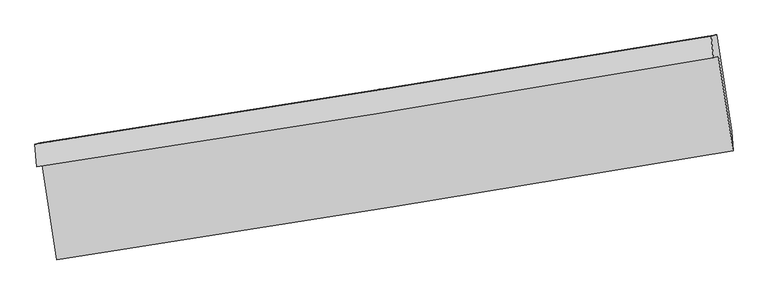
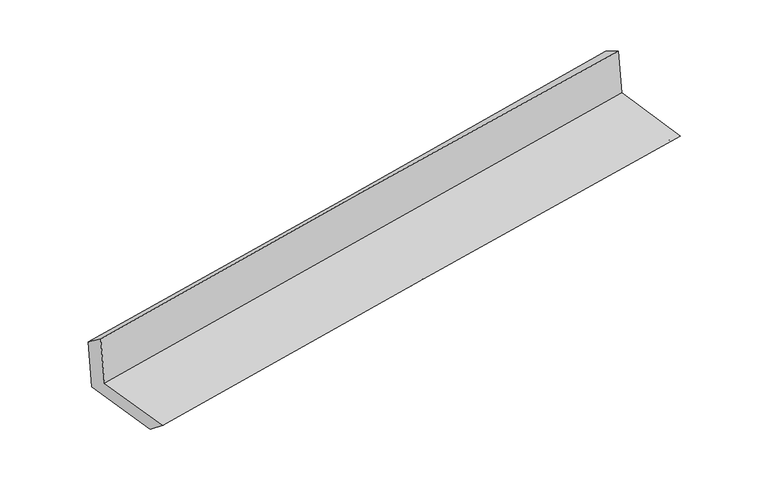
"""IFC4 building model written with IfcOpenShell, lengths in millimetres: proxy geometry."""

import ifcopenshell
import ifcopenshell.guid

model = None  # the IFC model being written
_history = None  # IfcOwnerHistory: only IFC2X3 demands one
_inside = {}  # id of a spatial element -> (the spatial element, [elements in it])
_under = {}  # id of a project, library or spatial element -> (it, [spatial elements below it])
_declared = {}  # id of a project -> (the project, [libraries it declares])
_typed = {}  # id of a type object -> (the type object, [elements of that type])
_made_of = {}  # id of a material, layer set ... -> (it, [elements and type objects made of it])


def new_model(schema):
    """Start an empty IFC model of exactly this schema.

    Asked for "IFC4X3", IfcOpenShell would pick the latest addendum, in which some entities
    have other attributes; the version numbers below select the first issue.
    IFC2X3 requires an IfcOwnerHistory on every rooted entity: one is made here for all.
    """
    global model, _history
    if schema == "IFC4X3":
        model = ifcopenshell.file(schema_version=(4, 3, 0, 0))
    else:
        model = ifcopenshell.file(schema=schema)
    _inside.clear()
    _under.clear()
    _declared.clear()
    _typed.clear()
    _made_of.clear()
    _history = None
    if model.schema == "IFC2X3":
        org = make("IfcOrganization", Name="unknown")
        user = make(
            "IfcPersonAndOrganization",
            ThePerson=make("IfcPerson", FamilyName="unknown"),
            TheOrganization=org,
        )
        app = make(
            "IfcApplication",
            ApplicationDeveloper=org,
            Version="unknown",
            ApplicationFullName="unknown",
            ApplicationIdentifier="unknown",
        )
        _history = make(
            "IfcOwnerHistory",
            OwningUser=user,
            OwningApplication=app,
            ChangeAction="ADDED",
            CreationDate=0,
        )
    return model


def make(cls, **values):
    """One entity of the class cls with the attributes given. An attribute that is None is left unset."""
    return model.create_entity(
        cls, **{name: value for name, value in values.items() if value is not None}
    )


def rooted(cls, **values):
    """An entity with a GlobalId (a new one), such as an element, a storey or a relation."""
    return make(cls, GlobalId=ifcopenshell.guid.new(), OwnerHistory=_history, **values)


def si_unit(unit_type, name, prefix=None):
    """IfcSIUnit, for example si_unit("LENGTHUNIT", "METRE", prefix="MILLI")."""
    return make("IfcSIUnit", UnitType=unit_type, Prefix=prefix, Name=name)


def assignment(units):
    """IfcUnitAssignment: the units of a project."""
    return None if units is None else make("IfcUnitAssignment", Units=units)


def point(xyz):
    """IfcCartesianPoint."""
    return None if xyz is None else make("IfcCartesianPoint", Coordinates=xyz)


def direction(xyz):
    """IfcDirection."""
    return None if xyz is None else make("IfcDirection", DirectionRatios=xyz)


def frame(location, z_axis=None, x_axis=None):
    """IfcAxis2Placement3D, a coordinate frame: its origin and axes. An axis left out is left unset."""
    return make(
        "IfcAxis2Placement3D",
        Location=point(location),
        Axis=direction(z_axis),
        RefDirection=direction(x_axis),
    )


def origin():
    """The frame at (0, 0, 0) with its axes left unset."""
    return frame((0.0, 0.0, 0.0))


def place(relative_to, where):
    """IfcLocalPlacement: puts the frame where relative to a parent placement (None: the world)."""
    return make(
        "IfcLocalPlacement", PlacementRelTo=relative_to, RelativePlacement=where
    )


def context(
    kind, dimensions, precision=None, world=None, true_north=None, identifier=None
):
    """IfcGeometricRepresentationContext, for example the 3D "Model" context."""
    return make(
        "IfcGeometricRepresentationContext",
        ContextIdentifier=identifier,
        ContextType=kind,
        CoordinateSpaceDimension=dimensions,
        Precision=precision,
        WorldCoordinateSystem=world,
        TrueNorth=true_north,
    )


def project(units=None, contexts=None):
    """IfcProject with its units and contexts."""
    return rooted(
        "IfcProject",
        Name="project",
        RepresentationContexts=contexts,
        UnitsInContext=assignment(units),
    )


def spatial(cls, under=None, at=None, **own):
    """A site, building, storey or space (cls), placed at a placement, below another one or the project."""
    s = rooted(cls, ObjectPlacement=at, **own)
    if under is not None:
        _under.setdefault(under.id(), (under, []))[1].append(s)
    return s


def shape(context_of_items, identifier, shape_type, items):
    """IfcShapeRepresentation: the items that make up one representation, for example the "Body"."""
    return make(
        "IfcShapeRepresentation",
        ContextOfItems=context_of_items,
        RepresentationIdentifier=identifier,
        RepresentationType=shape_type,
        Items=items,
    )


def source(mapping_origin, context_of_items, identifier, shape_type, items):
    """IfcRepresentationMap: a shape defined once, which mapped items show again and again."""
    return make(
        "IfcRepresentationMap",
        MappingOrigin=mapping_origin,
        MappedRepresentation=shape(context_of_items, identifier, shape_type, items),
    )


def transform(
    local_origin,
    x_axis=None,
    y_axis=None,
    z_axis=None,
    scale=None,
    scale2=None,
    scale3=None,
    uniform=True,
):
    """IfcCartesianTransformationOperator3D, or its non-uniform kind. x_axis, y_axis, z_axis: its Axis1, 2, 3."""
    if uniform:
        return make(
            "IfcCartesianTransformationOperator3D",
            Axis1=direction(x_axis),
            Axis2=direction(y_axis),
            LocalOrigin=point(local_origin),
            Scale=scale,
            Axis3=direction(z_axis),
        )
    return make(
        "IfcCartesianTransformationOperator3DnonUniform",
        Axis1=direction(x_axis),
        Axis2=direction(y_axis),
        LocalOrigin=point(local_origin),
        Scale=scale,
        Axis3=direction(z_axis),
        Scale2=scale2,
        Scale3=scale3,
    )


def mapped(mapping_source, mapping_target):
    """IfcMappedItem: shows the shape of a source again, moved by a transform."""
    return make(
        "IfcMappedItem", MappingSource=mapping_source, MappingTarget=mapping_target
    )


def made_of(thing, what):
    """Note that an element or type object is made of a material, layer set ...; save() writes the relation."""
    if what is not None:
        _made_of.setdefault(what.id(), (what, []))[1].append(thing)
    return thing


def element(
    cls,
    number,
    at=None,
    inside=None,
    cuts=None,
    type_object=None,
    material=None,
    context=None,
    identifier="Body",
    shape_type=None,
    held_by="IfcProductDefinitionShape",
    body=None,
    shapes=None,
    **own,
):
    """One element of the class cls, such as IfcWall. Its Tag is "e" and its number.

    at: its placement. inside: the storey or other place that contains it. cuts: it is an
    opening in that element (IfcRelVoidsElement). A single representation is given by context,
    identifier, shape_type and body (its items); several are given by shapes. held_by: the class
    of the entity that holds the representations. save() writes the other relations.
    """
    e = rooted(cls, Tag="e%d" % number, ObjectPlacement=at, **own)
    if body is not None:
        shapes = [shape(context, identifier, shape_type, body)]
    if shapes is not None:
        e.Representation = make(held_by, Representations=shapes)
    if inside is not None:
        _inside.setdefault(inside.id(), (inside, []))[1].append(e)
    if cuts is not None:
        rooted(
            "IfcRelVoidsElement", RelatingBuildingElement=cuts, RelatedOpeningElement=e
        )
    if type_object is not None:
        _typed.setdefault(type_object.id(), (type_object, []))[1].append(e)
    return made_of(e, material)


def aggregate(whole, parts):
    """IfcRelAggregates: a whole, such as a stair, and the parts it consists of."""
    return rooted("IfcRelAggregates", RelatingObject=whole, RelatedObjects=parts)


def save(model, path):
    """Write the relations noted so far, then the file.

    IfcRelAggregates (storeys below a building ...), IfcRelContainedInSpatialStructure (elements
    in a storey), IfcRelDefinesByType, IfcRelAssociatesMaterial and IfcRelDeclares: one each for
    every whole, place, type object, material and project.
    """
    for whole, parts in _under.values():
        aggregate(whole, parts)
    for where, things in _inside.values():
        rooted(
            "IfcRelContainedInSpatialStructure",
            RelatedElements=things,
            RelatingStructure=where,
        )
    for kind, things in _typed.values():
        rooted("IfcRelDefinesByType", RelatedObjects=things, RelatingType=kind)
    for what, things in _made_of.values():
        rooted("IfcRelAssociatesMaterial", RelatedObjects=things, RelatingMaterial=what)
    for by, libraries in _declared.values():
        rooted("IfcRelDeclares", RelatingContext=by, RelatedDefinitions=libraries)
    model.write(path)


def plane_surface(at):
    """IfcPlane: the flat surface through the origin of the frame at, square to its z axis."""
    return make("IfcPlane", Position=at)


def spline_curve(degree, points, multiplicities, knots, weights=None):
    """IfcBSplineCurveWithKnots; with weights, IfcRationalBSplineCurveWithKnots."""
    own = dict(
        Degree=degree,
        ControlPointsList=[point(p) for p in points],
        CurveForm="UNSPECIFIED",
        ClosedCurve=False,
        SelfIntersect=False,
        KnotMultiplicities=multiplicities,
        Knots=knots,
        KnotSpec="UNSPECIFIED",
    )
    if weights is None:
        return make("IfcBSplineCurveWithKnots", **own)
    return make("IfcRationalBSplineCurveWithKnots", WeightsData=weights, **own)


def spline_surface(u_degree, v_degree, points, u_multiplicities, v_multiplicities, u_knots, v_knots, weights=None):
    """IfcBSplineSurfaceWithKnots; with weights, IfcRationalBSplineSurfaceWithKnots. points: one row for each step in u."""
    own = dict(
        UDegree=u_degree,
        VDegree=v_degree,
        ControlPointsList=[[point(p) for p in row] for row in points],
        SurfaceForm="UNSPECIFIED",
        UClosed=False,
        VClosed=False,
        SelfIntersect=False,
        UMultiplicities=u_multiplicities,
        VMultiplicities=v_multiplicities,
        UKnots=u_knots,
        VKnots=v_knots,
        KnotSpec="UNSPECIFIED",
    )
    if weights is None:
        return make("IfcBSplineSurfaceWithKnots", **own)
    return make("IfcRationalBSplineSurfaceWithKnots", WeightsData=weights, **own)


def advanced_brep(points, edges, surfaces, faces):
    """IfcAdvancedBrep: a solid bounded by faces that lie on surfaces and meet in shared edges.

    An edge is (start, end): straight between two places in points (the first is 0);
    or (start, end, curve); or (start, end, curve, False) where it runs against its curve.
    A face is (place in surfaces, loops), or (place, loops, False) where it looks against
    its surface's normal. A loop lists edges by number (the first is 1), with a minus sign
    where the edge is run from its end to its start. The first loop is the outer one.
    """
    corners = [point(p) for p in points]
    vertices = [make("IfcVertexPoint", VertexGeometry=c) for c in corners]
    made = []
    for start, end, *more in edges:
        made.append(
            make(
                "IfcEdgeCurve",
                EdgeStart=vertices[start],
                EdgeEnd=vertices[end],
                EdgeGeometry=more[0] if more else make("IfcPolyline", Points=[corners[start], corners[end]]),
                SameSense=more[1] if len(more) > 1 else True,
            )
        )
    hull = []
    for where, loops, *sense in faces:
        bounds = []
        for j, loop in enumerate(loops):
            ring = [make("IfcOrientedEdge", EdgeElement=made[abs(k) - 1], Orientation=k > 0) for k in loop]
            bounds.append(
                make(
                    "IfcFaceOuterBound" if j == 0 else "IfcFaceBound",
                    Bound=make("IfcEdgeLoop", EdgeList=ring),
                    Orientation=True,
                )
            )
        hull.append(make("IfcAdvancedFace", Bounds=bounds, FaceSurface=surfaces[where], SameSense=sense[0] if sense else True))
    return make("IfcAdvancedBrep", Outer=make("IfcClosedShell", CfsFaces=hull))


def generic_models_eba9bee3(model_context):
    return source(origin(), model_context, "Body", "AdvancedBrep", [
        advanced_brep(
        [(-2367.0636092, -1880.4854477, 1680.1535084), (-2265.8203629, -2533.8641311, 1677.0345798), (2415.6651752, -1779.4255285, 2092.6157612), (2313.5203909, -1126.0296582, 2106.1321146), (-2403.7787921, -1890.7646069, 2083.1841891), (2279.0571182, -1135.6783495, 2484.4430787), (-2416.9116863, -1734.9119592, 1968.0063182), (2264.3745851, -988.8605566, 2400.4661085), (-2379.4243776, -1724.4166278, 1556.4998416), (2302.0721351, -978.3063638, 1986.6517668), (-2278.200623, -2375.0523316, 1549.1268562), (2405.9673971, -1646.6955002, 1979.0693545)],
        [
            (0, 1),
            (1, 2, spline_curve(3, [(-2265.8203629, -2533.8641311, 1677.0345798), (-1482.199873312, -2414.441700831, 1757.030147082), (-698.641281253, -2291.58451223, 1831.782184104), (861.852875699, -2040.048230617, 1970.222613323), (1638.789462772, -1911.425884959, 2033.997636908), (2415.6651752, -1779.4255285, 2092.6157612)], [4, 2, 4], [0.0, 7.841270105452342, 15.617495599647988])),
            (2, 3),
            (3, 0, spline_curve(3, [(2313.5203909, -1126.0296582, 2106.1321146), (1537.126492626, -1258.053491602, 2042.325128104), (760.506319459, -1386.68904504, 1975.085618527), (-799.684546248, -1638.231227985, 1833.150412862), (-1583.259039784, -1761.08093787, 1758.397053917), (-2367.0636092, -1880.4854477, 1680.1535084)], [4, 2, 4], [0.0, 7.776225494195646, 15.617495599647988])),
            (4, 0),
            (3, 5),
            (5, 4, spline_curve(3, [(2279.0571182, -1135.6783495, 2484.4430787), (1501.421290805, -1268.049886031, 2434.269020817), (723.991467655, -1396.912117184, 2375.917218115), (-836.957296381, -1648.66648958, 2242.301633292), (-1620.472776543, -1771.499677521, 2166.900472746), (-2403.7787921, -1890.7646069, 2083.1841891)], [4, 2, 4], [0.0, 7.7764322304157325, 15.617910801343191])),
            (6, 4),
            (5, 7),
            (7, 6, spline_curve(3, [(2264.3745851, -988.8605566, 2400.4661085), (1488.075397334, -1116.564185373, 2328.608530862), (711.44474061, -1242.336096078, 2256.791351675), (-848.978448392, -1491.052347953, 2112.637409396), (-1632.776548529, -1613.964238274, 2040.301325344), (-2416.9116863, -1734.9119592, 1968.0063182)], [4, 2, 4], [0.0, 7.776237492912488, 15.617519697445513])),
            (8, 6),
            (7, 9),
            (9, 8, spline_curve(3, [(2302.0721351, -978.3063638, 1986.6517668), (1526.728724549, -1105.74240347, 1904.302412498), (750.560572047, -1231.384826873, 1827.408220051), (-809.924410591, -1480.118379011, 1683.932603349), (-1594.255095884, -1603.179377326, 1617.442820796), (-2379.4243776, -1724.4166278, 1556.4998416)], [4, 2, 4], [0.0, 7.776045750133912, 15.61713460804669])),
            (10, 8),
            (9, 11),
            (11, 10, spline_curve(3, [(2405.9673971, -1646.6955002, 1979.0693545), (1629.414123125, -1766.252839692, 1896.810728053), (852.417744484, -1886.472351125, 1819.979395562), (-708.964151743, -2129.246837712, 1676.574055932), (-1493.357113081, -2251.812936791, 1610.091222374), (-2278.200623, -2375.0523316, 1549.1268562)], [4, 2, 4], [0.0, 7.776063704711667, 15.617170667384128])),
            (1, 10),
            (11, 2),
        ],
        [
            spline_surface(3, 3, [[(-2367.0636092, -1880.4854477, 1680.1535084), (-1583.259039672, -1761.080937905, 1758.397053899), (-799.684546142, -1638.231228058, 1833.150412919), (760.506319354, -1386.689044968, 1975.08561847), (1537.126492522, -1258.053491641, 2042.325128208), (2313.5203909, -1126.0296582, 2106.1321146)], [(-2333.315860444, -2098.278342163, 1679.113865538), (-1549.572650887, -1978.86785887, 1757.941418256), (-766.003457808, -1856.015656114, 1832.694336603), (794.288504767, -1604.47544019, 1973.464616768), (1571.014149278, -1475.844289433, 2039.549297759), (2347.56865233, -1343.828281647, 2101.626663477)], [(-2299.568111656, -2316.071236637, 1678.074222662), (-1515.88626207, -2196.654779846, 1757.485782598), (-732.322369478, -2073.800084164, 1832.238260333), (828.070690178, -1822.261835405, 1971.843615112), (1604.901806044, -1693.635087185, 2036.773467279), (2381.61691377, -1561.626905053, 2097.121212323)], [(-2265.8203629, -2533.8641311, 1677.0345798), (-1482.199873284, -2414.441700811, 1757.030146955), (-698.641281144, -2291.58451222, 1831.782184016), (861.852875591, -2040.048230627, 1970.222613411), (1638.789462801, -1911.425884977, 2033.99763683), (2415.6651752, -1779.4255285, 2092.6157612)]], [4, 4], [4, 2, 4], [0.0, 2.169139178785543], [0.0, 7.841270105452342, 15.617495599647988]),
            spline_surface(3, 3, [[(-2403.7787921, -1890.7646069, 2083.1841891), (-1620.472776639, -1771.499677415, 2166.900472822), (-836.957296425, -1648.666489463, 2242.30163333), (723.991467698, -1396.9121173, 2375.917218078), (1501.421290889, -1268.049886103, 2434.269020795), (2279.0571182, -1135.6783495, 2484.4430787)], [(-2391.540397793, -1887.338220509, 1948.840628851), (-1608.068197643, -1768.026764254, 2030.732666499), (-824.533046349, -1645.188068984, 2105.917893204), (736.163084899, -1393.504426512, 2242.306684887), (1513.32302476, -1264.71775462, 2303.621056585), (2290.54487576, -1132.462119071, 2358.339423985)], [(-2379.302003507, -1883.911834091, 1814.497068649), (-1595.663618668, -1764.553851066, 1894.564860222), (-812.108796219, -1641.709648537, 1969.534153045), (748.334702153, -1390.096735756, 2108.696151661), (1525.22475865, -1261.385623124, 2172.973092419), (2302.03263334, -1129.245888629, 2232.235769315)], [(-2367.0636092, -1880.4854477, 1680.1535084), (-1583.259039672, -1761.080937905, 1758.397053899), (-799.684546142, -1638.231228058, 1833.150412919), (760.506319354, -1386.689044968, 1975.08561847), (1537.126492522, -1258.053491641, 2042.325128208), (2313.5203909, -1126.0296582, 2106.1321146)]], [4, 4], [4, 2, 4], [0.0, 1.334757611477736], [0.0, 7.841478570927459, 15.617910801343191]),
            spline_surface(3, 3, [[(-2416.9116863, -1734.9119592, 1968.0063182), (-1632.776548543, -1613.964238256, 2040.301325285), (-848.97844827, -1491.052347984, 2112.637409506), (711.444740489, -1242.336096047, 2256.791351567), (1488.07539736, -1116.564185484, 2328.608530834), (2264.3745851, -988.8605566, 2400.4661085)], [(-2412.534054896, -1786.862841745, 2006.398941838), (-1628.675291238, -1666.476051287, 2082.501041136), (-844.971397655, -1543.590395129, 2155.858817459), (715.626982892, -1293.86143645, 2296.499973749), (1492.52402856, -1167.059419026, 2363.828694175), (2269.268762823, -1037.799820902, 2428.45843192)], [(-2408.156423504, -1838.813724355, 2044.791565462), (-1624.574033944, -1718.987864384, 2124.700756971), (-840.96434704, -1596.128442318, 2199.080225376), (719.809225295, -1345.386776897, 2336.208595895), (1496.972659689, -1217.554652561, 2399.048857455), (2274.162940477, -1086.739085198, 2456.45075528)], [(-2403.7787921, -1890.7646069, 2083.1841891), (-1620.472776639, -1771.499677415, 2166.900472822), (-836.957296425, -1648.666489463, 2242.30163333), (723.991467698, -1396.9121173, 2375.917218078), (1501.421290889, -1268.049886103, 2434.269020795), (2279.0571182, -1135.6783495, 2484.4430787)]], [4, 4], [4, 2, 4], [0.0, 0.6562121254304778], [0.0, 7.841282204533025, 15.617519697445513]),
            spline_surface(3, 3, [[(-2379.4243776, -1724.4166278, 1556.4998416), (-1594.255095795, -1603.179377282, 1617.442820828), (-809.924410605, -1480.118379139, 1683.932603365), (750.560572061, -1231.384826746, 1827.408220035), (1526.728724462, -1105.742403524, 1904.302412555), (2302.0721351, -978.3063638, 1986.6517668)], [(-2391.920147183, -1727.915071613, 1693.668667158), (-1607.09558006, -1606.774330953, 1758.395655671), (-822.942423151, -1483.763035448, 1826.834205394), (737.521961547, -1235.035249874, 1970.535930528), (1513.844282086, -1109.349664159, 2045.737785307), (2289.506285091, -981.824428048, 2124.589880692)], [(-2404.415916717, -1731.413515387, 1830.837492642), (-1619.936064278, -1610.369284584, 1899.348490442), (-835.960435725, -1487.407691674, 1969.735807476), (724.483351003, -1238.685672919, 2113.663641074), (1500.959839736, -1112.956924849, 2187.173158082), (2276.940435109, -985.342492352, 2262.527994608)], [(-2416.9116863, -1734.9119592, 1968.0063182), (-1632.776548543, -1613.964238256, 2040.301325285), (-848.97844827, -1491.052347984, 2112.637409506), (711.444740489, -1242.336096047, 2256.791351567), (1488.07539736, -1116.564185484, 2328.608530834), (2264.3745851, -988.8605566, 2400.4661085)]], [4, 4], [4, 2, 4], [0.0, 1.413898910493395], [0.0, 7.841088857912778, 15.61713460804669]),
            spline_surface(3, 3, [[(-2278.200623, -2375.0523316, 1549.1268562), (-1493.357113187, -2251.812936853, 1610.091222338), (-708.964151782, -2129.246837718, 1676.574055975), (852.417744522, -1886.47235112, 1819.979395519), (1629.414123125, -1766.252839778, 1896.810727986), (2405.9673971, -1646.6955002, 1979.0693545)], [(-2311.941874521, -2158.173763661, 1551.584517979), (-1526.989774045, -2035.601750324, 1612.541755147), (-742.617571403, -1912.870684856, 1679.026905117), (818.465353688, -1668.109842993, 1822.45567037), (1595.185656892, -1546.082694365, 1899.307956161), (2371.335643088, -1423.899121405, 1981.596825252)], [(-2345.683126079, -1941.295195739, 1554.042179821), (-1560.622434938, -1819.390563811, 1614.992288019), (-776.270990984, -1696.494532001, 1681.479754223), (784.512962895, -1449.747334872, 1824.931945184), (1560.957190696, -1325.912548937, 1901.80518438), (2336.703889112, -1201.102742595, 1984.124296048)], [(-2379.4243776, -1724.4166278, 1556.4998416), (-1594.255095795, -1603.179377282, 1617.442820828), (-809.924410605, -1480.118379139, 1683.932603365), (750.560572061, -1231.384826746, 1827.408220035), (1526.728724462, -1105.742403524, 1904.302412555), (2302.0721351, -978.3063638, 1986.6517668)]], [4, 4], [4, 2, 4], [0.0, 2.16523072080875], [0.0, 7.841106962672461, 15.617170667384128]),
            spline_surface(3, 3, [[(-2265.8203629, -2533.8641311, 1677.0345798), (-1482.199873284, -2414.441700811, 1757.030146955), (-698.641281144, -2291.58451222, 1831.782184016), (861.852875591, -2040.048230627, 1970.222613411), (1638.789462801, -1911.425884977, 2033.99763683), (2415.6651752, -1779.4255285, 2092.6157612)], [(-2269.947116263, -2480.926864609, 1634.398671935), (-1485.918953248, -2360.232112834, 1708.050505418), (-702.082238002, -2237.47195405, 1780.046141333), (858.707831922, -1988.856270789, 1920.141540778), (1635.664349583, -1863.034869904, 1988.268667223), (2412.432582508, -1735.182185727, 2054.766958974)], [(-2274.073869637, -2427.989598091, 1591.762764065), (-1489.638033223, -2306.022524831, 1659.070863875), (-705.523194923, -2183.359395887, 1728.310098658), (855.56278819, -1937.664310958, 1870.060468152), (1632.539236343, -1814.643854851, 1942.539697593), (2409.199989792, -1690.938842973, 2016.918156726)], [(-2278.200623, -2375.0523316, 1549.1268562), (-1493.357113187, -2251.812936853, 1610.091222338), (-708.964151782, -2129.246837718, 1676.574055975), (852.417744522, -1886.47235112, 1819.979395519), (1629.414123125, -1766.252839778, 1896.810727986), (2405.9673971, -1646.6955002, 1979.0693545)]], [4, 4], [4, 2, 4], [0.0, 0.7217158175404472], [0.0, 7.840873940876914, 15.616706556746742]),
            plane_surface(frame((2330.1094669, -1275.8326595, 2174.896364), z_axis=(0.9839643355675334, 0.1518878595262916, 0.0935107718910731), x_axis=(-0.09069282284518995, -0.025391292861532234, 0.9955551688034124))),
            plane_surface(frame((-2351.8665752, -2023.249184, 1752.3342156), z_axis=(-0.9839439311896254, -0.15201906980695723, -0.09351225957131742), x_axis=(-0.15312427728362843, 0.9881956809355126, 0.004717190558504837))),
        ],
        [
            (0, [[1, 2, 3, 4]]),
            (1, [[5, -4, 6, 7]]),
            (2, [[8, -7, 9, 10]]),
            (3, [[11, -10, 12, 13]]),
            (4, [[14, -13, 15, 16]]),
            (5, [[17, -16, 18, -2]]),
            (6, [[-12, -9, -6, -3, -18, -15]]),
            (7, [[-1, -5, -8, -11, -14, -17]]),
        ],
    ),
    ])


if __name__ == "__main__":
    model = new_model("IFC4")
    model_context = context("Model", 3, world=origin())
    ifc_project = project(units=[si_unit("LENGTHUNIT", "METRE", prefix="MILLI")], contexts=[model_context])
    site = spatial("IfcSite", under=ifc_project)
    building = spatial("IfcBuilding", under=site)
    placement = place(None, origin())
    generic_models_shape = generic_models_eba9bee3(model_context)
    element("IfcBuildingElementProxy", 1, Name="Generic Models", at=placement, inside=building, context=model_context, shape_type="MappedRepresentation", body=[
        mapped(generic_models_shape, transform((0.0, 0.0, 0.0), x_axis=(1.0, 0.0, 0.0), y_axis=(0.0, 1.0, 0.0), z_axis=(0.0, 0.0, 1.0))),
    ])
    save(model, "model.ifc")
